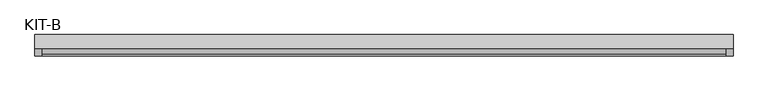
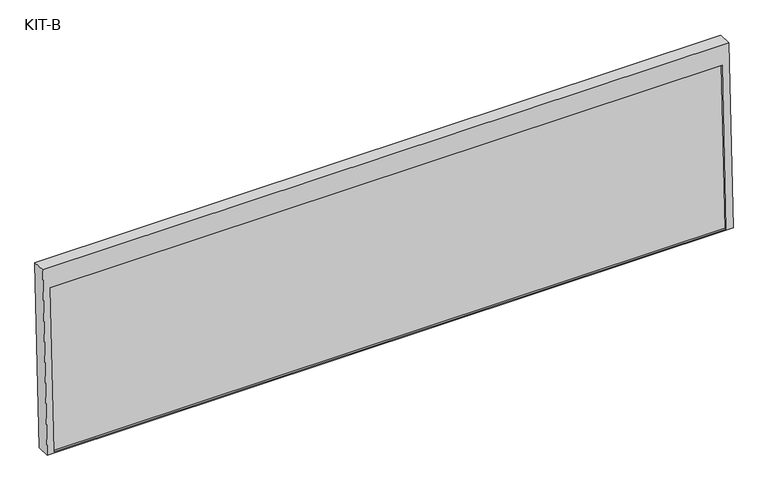
"""IFC4 building model written with IfcOpenShell, lengths in millimetres: plate geometry, KIT-B."""

from ifc_helpers import new_model, si_unit, frame, origin, place, context, project, spatial, polyline, outline, extrude, source, transform, mapped, element, save


def kit_b_6e9b6e90(model_context):
    return source(origin(), model_context, "Body", "SweptSolid", [
        extrude(outline(polyline([(0.0, -1754.0), (0.0, 0.0), (27.4505712, 0.0), (27.4505712, -1754.0), (0.0, -1754.0)])), frame((-877.0, -39.3205706, 694.9872355), z_axis=(0.0, 0.03973683410233642, 0.9992101801000245), x_axis=(0.0, 0.9992101801000245, -0.03973683410233642)), (0.0, 0.0, 1.0), 441.5315929),
        extrude(outline(polyline([(0.0, 0.0), (0.0, -1791.0), (-500.0, -1791.0), (-500.0, 0.0), (0.0, 0.0)]), holes=[polyline([(-55.0, -18.5), (-496.5315929, -18.5), (-496.5315929, -1772.5), (-55.0, -1772.5), (-55.0, -18.5)])]), frame((-895.5, 10.3863283, 1189.9345529), z_axis=(0.0, -0.9992101801000246, 0.039736834102334216), x_axis=(0.0, 0.039736834102334216, 0.9992101801000246)), (0.0, 0.0, 1.0), 35.0),
    ])


if __name__ == "__main__":
    model = new_model("IFC4")
    model_context = context("Model", 3, world=origin())
    ifc_project = project(units=[si_unit("LENGTHUNIT", "METRE", prefix="MILLI")], contexts=[model_context])
    site = spatial("IfcSite", under=ifc_project)
    building = spatial("IfcBuilding", under=site)
    placement = place(None, origin())
    kit_b_shape = kit_b_6e9b6e90(model_context)
    element("IfcPlate", 1, ObjectType="KIT-B", at=placement, inside=building, context=model_context, shape_type="MappedRepresentation", body=[
        mapped(kit_b_shape, transform((0.0, 0.0, 0.0), x_axis=(1.0, 0.0, 0.0), y_axis=(0.0, 1.0, 0.0), z_axis=(0.0, 0.0, 1.0))),
    ])
    save(model, "model.ifc")
